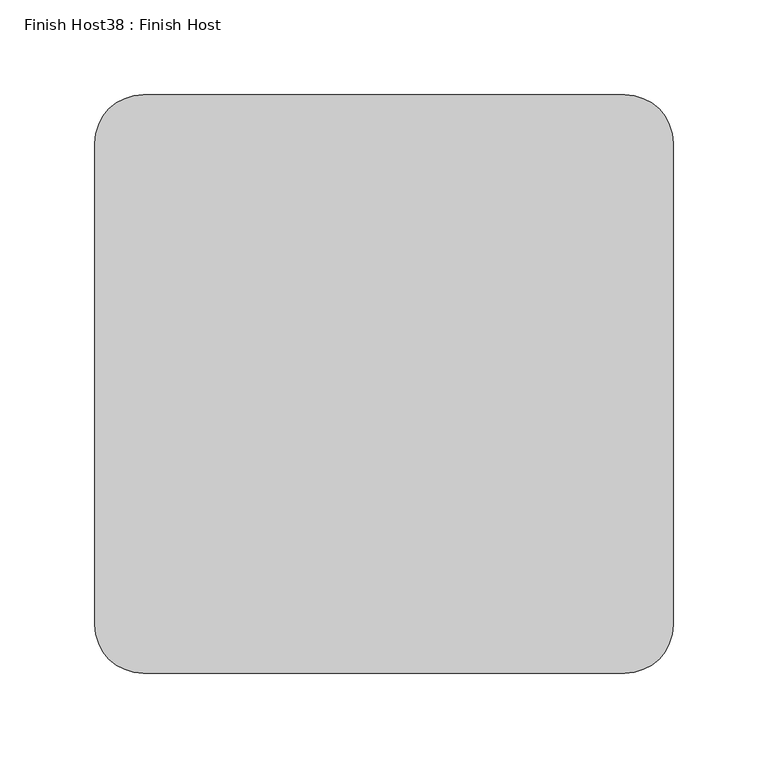
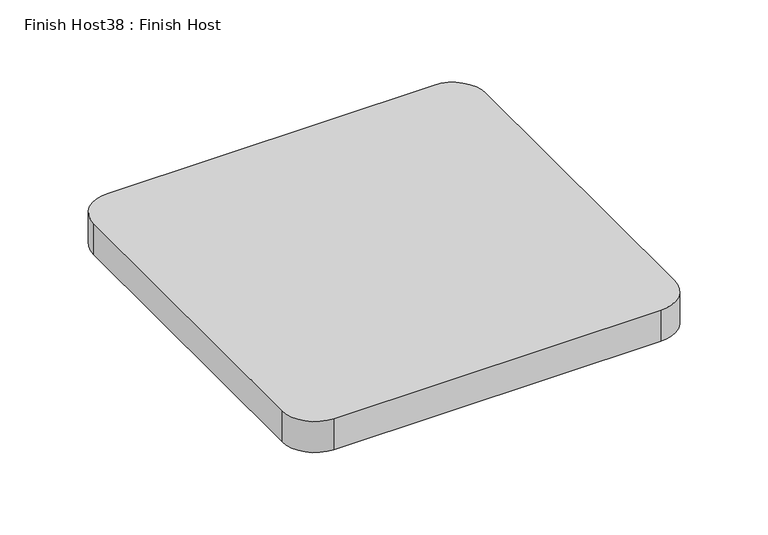
"""IFC4 building model written with IfcOpenShell, lengths in millimetres: proxy geometry, Finish Host38 : Finish Host."""

from ifc_helpers import new_model, si_unit, point, frame_2d, origin, origin_with_axes, place, context, project, spatial, polyline, circle_curve, trimmed, segment, composite_curve, outline, extrude, source, transform, mapped, element, save


def finish_host38_finish_host_308a263b(model_context):
    return source(origin(), model_context, "Body", "SweptSolid", [
        extrude(outline(composite_curve([segment(polyline([(5356.6934426, 3188.0122951), (5356.6934426, 3442.0122951)]), True, "CONTINUOUS"), segment(trimmed(circle_curve(frame_2d((5382.0934426, 3442.0122951)), 25.4), [point((5356.6934426, 3442.0122951))], [point((5382.0934426, 3467.4122951))], False, "CARTESIAN"), True, "CONTINUOUS"), segment(polyline([(5382.0934426, 3467.4122951), (5636.0934426, 3467.4122951)]), True, "CONTINUOUS"), segment(trimmed(circle_curve(frame_2d((5636.0934426, 3442.0122951)), 25.4), [point((5636.0934426, 3467.4122951))], [point((5661.4934426, 3442.0122951))], False, "CARTESIAN"), True, "CONTINUOUS"), segment(polyline([(5661.4934426, 3442.0122951), (5661.4934426, 3188.0122951)]), True, "CONTINUOUS"), segment(trimmed(circle_curve(frame_2d((5636.0934426, 3188.0122951)), 25.4), [point((5661.4934426, 3188.0122951))], [point((5636.0934426, 3162.6122951))], False, "CARTESIAN"), True, "CONTINUOUS"), segment(polyline([(5636.0934426, 3162.6122951), (5382.0934426, 3162.6122951)]), True, "CONTINUOUS"), segment(trimmed(circle_curve(frame_2d((5382.0934426, 3188.0122951)), 25.4), [point((5382.0934426, 3162.6122951))], [point((5356.6934426, 3188.0122951))], False, "CARTESIAN"), True, "CONTINUOUS")], self_intersect=False)), origin_with_axes(), (0.0, 0.0, 1.0), 25.4),
    ])


if __name__ == "__main__":
    model = new_model("IFC4")
    model_context = context("Model", 3, world=origin())
    ifc_project = project(units=[si_unit("LENGTHUNIT", "METRE", prefix="MILLI")], contexts=[model_context])
    site = spatial("IfcSite", under=ifc_project)
    building = spatial("IfcBuilding", under=site)
    placement = place(None, origin())
    finish_host38_finish_host_shape = finish_host38_finish_host_308a263b(model_context)
    element("IfcBuildingElementProxy", 1, Name="Finish Host38 : Finish Host", ObjectType="Finish Host38 : Finish Host", at=placement, inside=building, context=model_context, shape_type="MappedRepresentation", body=[
        mapped(finish_host38_finish_host_shape, transform((0.0, 0.0, 0.0), x_axis=(1.0, 0.0, 0.0), y_axis=(0.0, 1.0, 0.0), z_axis=(0.0, 0.0, 1.0))),
    ])
    save(model, "model.ifc")
